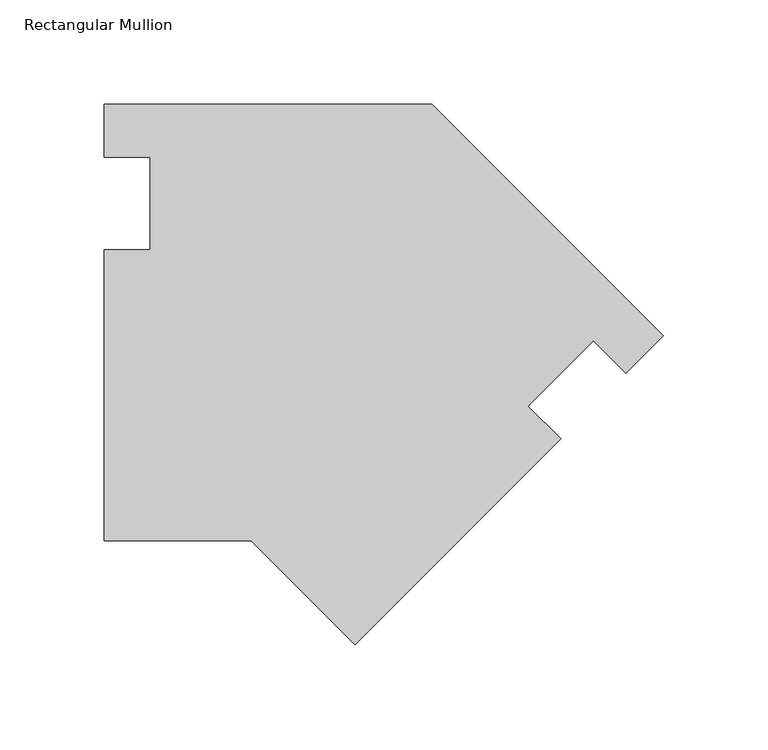
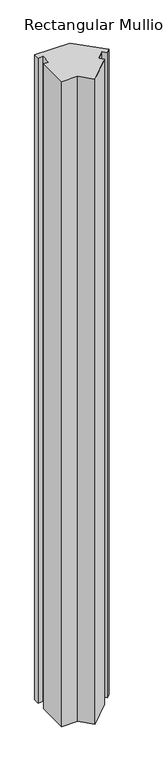
"""IFC4 building model written with IfcOpenShell, lengths in millimetres: member geometry, Rectangular Mullion."""

from ifc_helpers import new_model, si_unit, frame, origin, place, context, project, spatial, polyline, outline, extrude, source, transform, mapped, element, save


def rectangular_mullion_5cc5f024(model_context):
    return source(origin(), model_context, "Body", "SweptSolid", [
        extrude(outline(polyline([(-198.1268905, -133.3499894), (-268.7706405, -133.3499894), (-268.7706405, 6.3500056), (-246.5457537, 6.3500056), (-246.5457537, 50.8000056), (-268.7706405, 50.8000056), (-268.7706405, 76.2000056), (-111.3284564, 76.2000056), (0.0, -35.1284508), (-17.9605044, -53.0889551), (-33.6758738, -37.3735857), (-65.1067702, -68.8044821), (-49.391322, -84.5199303), (-148.174216, -183.3026639), (-198.1268905, -133.3499894)])), frame((0.0, 0.0, -3048.0), z_axis=(0.0, 0.0, 1.0), x_axis=(1.0, 0.0, 0.0)), (0.0, 0.0, 1.0), 3048.0),
    ])


if __name__ == "__main__":
    model = new_model("IFC4")
    model_context = context("Model", 3, world=origin())
    ifc_project = project(units=[si_unit("LENGTHUNIT", "METRE", prefix="MILLI")], contexts=[model_context])
    site = spatial("IfcSite", under=ifc_project)
    building = spatial("IfcBuilding", under=site)
    placement = place(None, origin())
    rectangular_mullion_shape = rectangular_mullion_5cc5f024(model_context)
    element("IfcMember", 1, ObjectType="Rectangular Mullion", at=placement, inside=building, context=model_context, shape_type="MappedRepresentation", body=[
        mapped(rectangular_mullion_shape, transform((0.0, 0.0, 0.0), x_axis=(1.0, 0.0, 0.0), y_axis=(0.0, 1.0, 0.0), z_axis=(0.0, 0.0, 1.0))),
    ])
    save(model, "model.ifc")
